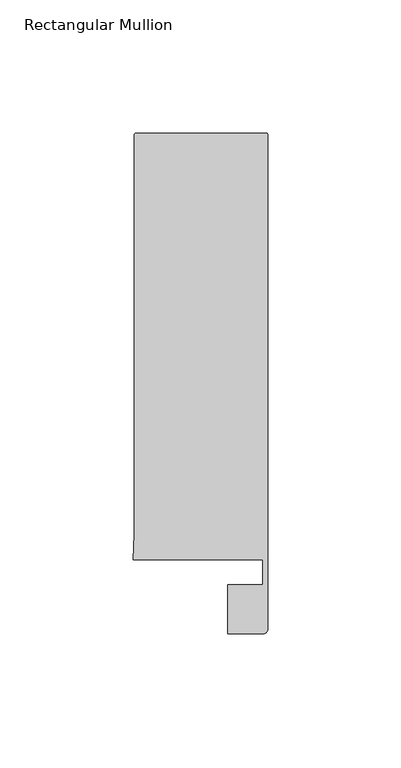
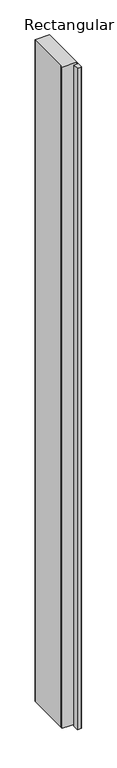
"""IFC4 building model written with IfcOpenShell, lengths in millimetres: member geometry, Rectangular Mullion."""

from ifc_helpers import new_model, si_unit, point, frame, frame_2d, origin, place, context, project, spatial, polyline, circle_curve, trimmed, segment, composite_curve, outline, extrude, source, transform, mapped, element, save


def rectangular_mullion_e10f0179(model_context):
    return source(origin(), model_context, "Body", "SweptSolid", [
        extrude(outline(composite_curve([segment(polyline([(-49.4643516, 173.9954336), (-0.4995298, 173.9954336)]), True, "CONTINUOUS"), segment(trimmed(circle_curve(frame_2d((-0.4995298, 173.4959038)), 0.4995298), [point((-0.4995298, 173.9954336))], [point((0.0, 173.4959038))], False, "CARTESIAN"), True, "CONTINUOUS"), segment(polyline([(0.0, 173.4959038), (0.0, 14.0), (0.0, -12.3070627)]), True, "CONTINUOUS"), segment(trimmed(circle_curve(frame_2d((-1.5, -12.3070627)), 1.5), [point((0.0, -12.3070627))], [point((-1.5, -13.8070627))], False, "CARTESIAN"), True, "CONTINUOUS"), segment(polyline([(-1.5, -13.8070627), (-15.0, -13.8070627), (-15.0, 4.6022209), (-1.8, 4.6022209), (-1.8, 14.0), (-50.4480466, 14.0), (-50.0, 23.4857005), (-50.0, 173.4597852)]), True, "CONTINUOUS"), segment(trimmed(circle_curve(frame_2d((-49.4643516, 173.4597852)), 0.5356484), [point((-50.0, 173.4597852))], [point((-49.4643516, 173.9954336))], False, "CARTESIAN"), True, "CONTINUOUS")], self_intersect=False)), frame((0.0, 0.0, -2352.9080722), z_axis=(0.0, 0.0, 1.0), x_axis=(1.0, 0.0, 0.0)), (0.0, 0.0, 1.0), 2352.9080722),
    ])


if __name__ == "__main__":
    model = new_model("IFC4")
    model_context = context("Model", 3, world=origin())
    ifc_project = project(units=[si_unit("LENGTHUNIT", "METRE", prefix="MILLI")], contexts=[model_context])
    site = spatial("IfcSite", under=ifc_project)
    building = spatial("IfcBuilding", under=site)
    placement = place(None, origin())
    rectangular_mullion_shape = rectangular_mullion_e10f0179(model_context)
    element("IfcMember", 1, ObjectType="Rectangular Mullion", at=placement, inside=building, context=model_context, shape_type="MappedRepresentation", body=[
        mapped(rectangular_mullion_shape, transform((0.0, 0.0, 0.0), x_axis=(1.0, 0.0, 0.0), y_axis=(0.0, 1.0, 0.0), z_axis=(0.0, 0.0, 1.0))),
    ])
    save(model, "model.ifc")
